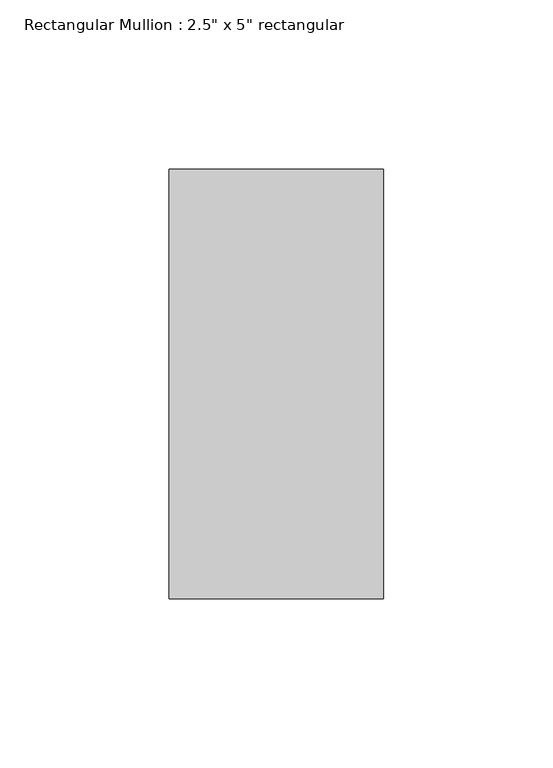
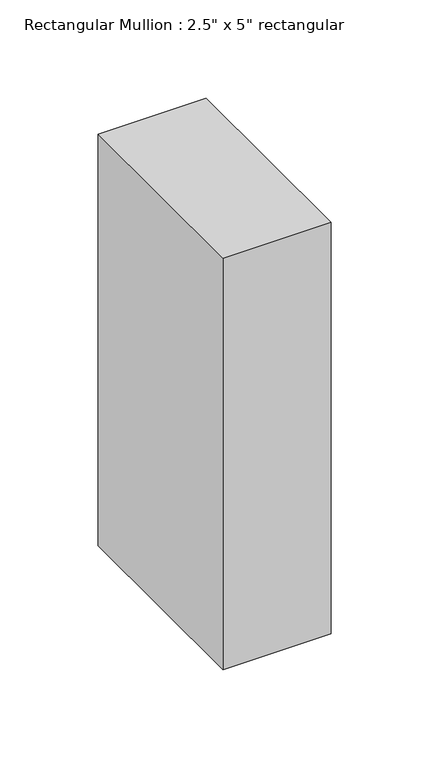
"""IFC4 building model written with IfcOpenShell, lengths in millimetres: member geometry."""

from ifc_helpers import new_model, si_unit, frame, origin, place, context, project, spatial, polyline, outline, extrude, source, transform, mapped, element, save


def member_eea44fdc(model_context):
    return source(origin(), model_context, "Body", "SweptSolid", [
        extrude(outline(polyline([(0.0, 63.5), (0.0, -63.5), (-63.5, -63.5), (-63.5, 63.5), (0.0, 63.5)])), frame((0.0, 0.0, -255.6801113), z_axis=(0.0, 0.0, 1.0), x_axis=(1.0, 0.0, 0.0)), (0.0, 0.0, 1.0), 255.6801113),
    ])


if __name__ == "__main__":
    model = new_model("IFC4")
    model_context = context("Model", 3, world=origin())
    ifc_project = project(units=[si_unit("LENGTHUNIT", "METRE", prefix="MILLI")], contexts=[model_context])
    site = spatial("IfcSite", under=ifc_project)
    building = spatial("IfcBuilding", under=site)
    placement = place(None, origin())
    member_shape = member_eea44fdc(model_context)
    element("IfcMember", 1, ObjectType="Rectangular Mullion : 2.5\" x 5\" rectangular", at=placement, inside=building, context=model_context, shape_type="MappedRepresentation", body=[
        mapped(member_shape, transform((0.0, 0.0, 0.0), x_axis=(1.0, 0.0, 0.0), y_axis=(0.0, 1.0, 0.0), z_axis=(0.0, 0.0, 1.0))),
    ])
    save(model, "model.ifc")
